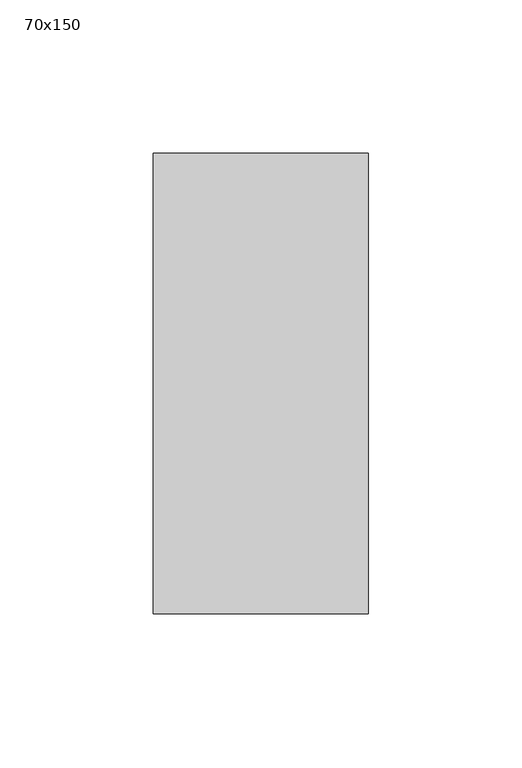
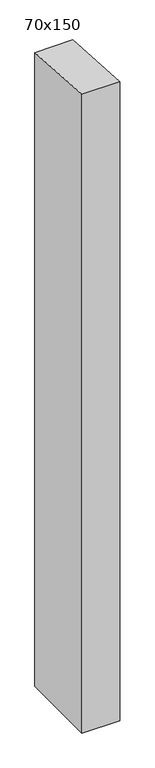
"""IFC4 building model written with IfcOpenShell, lengths in millimetres: member geometry, 70x150."""

import ifcopenshell
import ifcopenshell.guid

model = None  # the IFC model being written
_history = None  # IfcOwnerHistory: only IFC2X3 demands one
_inside = {}  # id of a spatial element -> (the spatial element, [elements in it])
_under = {}  # id of a project, library or spatial element -> (it, [spatial elements below it])
_declared = {}  # id of a project -> (the project, [libraries it declares])
_typed = {}  # id of a type object -> (the type object, [elements of that type])
_made_of = {}  # id of a material, layer set ... -> (it, [elements and type objects made of it])


def new_model(schema):
    """Start an empty IFC model of exactly this schema.

    Asked for "IFC4X3", IfcOpenShell would pick the latest addendum, in which some entities
    have other attributes; the version numbers below select the first issue.
    IFC2X3 requires an IfcOwnerHistory on every rooted entity: one is made here for all.
    """
    global model, _history
    if schema == "IFC4X3":
        model = ifcopenshell.file(schema_version=(4, 3, 0, 0))
    else:
        model = ifcopenshell.file(schema=schema)
    _inside.clear()
    _under.clear()
    _declared.clear()
    _typed.clear()
    _made_of.clear()
    _history = None
    if model.schema == "IFC2X3":
        org = make("IfcOrganization", Name="unknown")
        user = make(
            "IfcPersonAndOrganization",
            ThePerson=make("IfcPerson", FamilyName="unknown"),
            TheOrganization=org,
        )
        app = make(
            "IfcApplication",
            ApplicationDeveloper=org,
            Version="unknown",
            ApplicationFullName="unknown",
            ApplicationIdentifier="unknown",
        )
        _history = make(
            "IfcOwnerHistory",
            OwningUser=user,
            OwningApplication=app,
            ChangeAction="ADDED",
            CreationDate=0,
        )
    return model


def make(cls, **values):
    """One entity of the class cls with the attributes given. An attribute that is None is left unset."""
    return model.create_entity(
        cls, **{name: value for name, value in values.items() if value is not None}
    )


def rooted(cls, **values):
    """An entity with a GlobalId (a new one), such as an element, a storey or a relation."""
    return make(cls, GlobalId=ifcopenshell.guid.new(), OwnerHistory=_history, **values)


def si_unit(unit_type, name, prefix=None):
    """IfcSIUnit, for example si_unit("LENGTHUNIT", "METRE", prefix="MILLI")."""
    return make("IfcSIUnit", UnitType=unit_type, Prefix=prefix, Name=name)


def assignment(units):
    """IfcUnitAssignment: the units of a project."""
    return None if units is None else make("IfcUnitAssignment", Units=units)


def point(xyz):
    """IfcCartesianPoint."""
    return None if xyz is None else make("IfcCartesianPoint", Coordinates=xyz)


def direction(xyz):
    """IfcDirection."""
    return None if xyz is None else make("IfcDirection", DirectionRatios=xyz)


def frame(location, z_axis=None, x_axis=None):
    """IfcAxis2Placement3D, a coordinate frame: its origin and axes. An axis left out is left unset."""
    return make(
        "IfcAxis2Placement3D",
        Location=point(location),
        Axis=direction(z_axis),
        RefDirection=direction(x_axis),
    )


def origin():
    """The frame at (0, 0, 0) with its axes left unset."""
    return frame((0.0, 0.0, 0.0))


def place(relative_to, where):
    """IfcLocalPlacement: puts the frame where relative to a parent placement (None: the world)."""
    return make(
        "IfcLocalPlacement", PlacementRelTo=relative_to, RelativePlacement=where
    )


def context(
    kind, dimensions, precision=None, world=None, true_north=None, identifier=None
):
    """IfcGeometricRepresentationContext, for example the 3D "Model" context."""
    return make(
        "IfcGeometricRepresentationContext",
        ContextIdentifier=identifier,
        ContextType=kind,
        CoordinateSpaceDimension=dimensions,
        Precision=precision,
        WorldCoordinateSystem=world,
        TrueNorth=true_north,
    )


def project(units=None, contexts=None):
    """IfcProject with its units and contexts."""
    return rooted(
        "IfcProject",
        Name="project",
        RepresentationContexts=contexts,
        UnitsInContext=assignment(units),
    )


def spatial(cls, under=None, at=None, **own):
    """A site, building, storey or space (cls), placed at a placement, below another one or the project."""
    s = rooted(cls, ObjectPlacement=at, **own)
    if under is not None:
        _under.setdefault(under.id(), (under, []))[1].append(s)
    return s


def polyline(points):
    """IfcPolyline through the points."""
    return make("IfcPolyline", Points=[point(p) for p in points])


def outline(outer, holes=None, kind="AREA"):
    """IfcArbitraryClosedProfileDef: a profile drawn as a closed curve; with holes, ...WithVoids."""
    if holes is None:
        return make("IfcArbitraryClosedProfileDef", ProfileType=kind, OuterCurve=outer)
    return make(
        "IfcArbitraryProfileDefWithVoids",
        ProfileType=kind,
        OuterCurve=outer,
        InnerCurves=holes,
    )


def extrude(swept, where, along, depth):
    """IfcExtrudedAreaSolid: the profile swept, set in the frame where, extruded along a direction by depth."""
    return make(
        "IfcExtrudedAreaSolid",
        SweptArea=swept,
        Position=where,
        ExtrudedDirection=direction(along),
        Depth=depth,
    )


def shape(context_of_items, identifier, shape_type, items):
    """IfcShapeRepresentation: the items that make up one representation, for example the "Body"."""
    return make(
        "IfcShapeRepresentation",
        ContextOfItems=context_of_items,
        RepresentationIdentifier=identifier,
        RepresentationType=shape_type,
        Items=items,
    )


def source(mapping_origin, context_of_items, identifier, shape_type, items):
    """IfcRepresentationMap: a shape defined once, which mapped items show again and again."""
    return make(
        "IfcRepresentationMap",
        MappingOrigin=mapping_origin,
        MappedRepresentation=shape(context_of_items, identifier, shape_type, items),
    )


def transform(
    local_origin,
    x_axis=None,
    y_axis=None,
    z_axis=None,
    scale=None,
    scale2=None,
    scale3=None,
    uniform=True,
):
    """IfcCartesianTransformationOperator3D, or its non-uniform kind. x_axis, y_axis, z_axis: its Axis1, 2, 3."""
    if uniform:
        return make(
            "IfcCartesianTransformationOperator3D",
            Axis1=direction(x_axis),
            Axis2=direction(y_axis),
            LocalOrigin=point(local_origin),
            Scale=scale,
            Axis3=direction(z_axis),
        )
    return make(
        "IfcCartesianTransformationOperator3DnonUniform",
        Axis1=direction(x_axis),
        Axis2=direction(y_axis),
        LocalOrigin=point(local_origin),
        Scale=scale,
        Axis3=direction(z_axis),
        Scale2=scale2,
        Scale3=scale3,
    )


def mapped(mapping_source, mapping_target):
    """IfcMappedItem: shows the shape of a source again, moved by a transform."""
    return make(
        "IfcMappedItem", MappingSource=mapping_source, MappingTarget=mapping_target
    )


def made_of(thing, what):
    """Note that an element or type object is made of a material, layer set ...; save() writes the relation."""
    if what is not None:
        _made_of.setdefault(what.id(), (what, []))[1].append(thing)
    return thing


def element(
    cls,
    number,
    at=None,
    inside=None,
    cuts=None,
    type_object=None,
    material=None,
    context=None,
    identifier="Body",
    shape_type=None,
    held_by="IfcProductDefinitionShape",
    body=None,
    shapes=None,
    **own,
):
    """One element of the class cls, such as IfcWall. Its Tag is "e" and its number.

    at: its placement. inside: the storey or other place that contains it. cuts: it is an
    opening in that element (IfcRelVoidsElement). A single representation is given by context,
    identifier, shape_type and body (its items); several are given by shapes. held_by: the class
    of the entity that holds the representations. save() writes the other relations.
    """
    e = rooted(cls, Tag="e%d" % number, ObjectPlacement=at, **own)
    if body is not None:
        shapes = [shape(context, identifier, shape_type, body)]
    if shapes is not None:
        e.Representation = make(held_by, Representations=shapes)
    if inside is not None:
        _inside.setdefault(inside.id(), (inside, []))[1].append(e)
    if cuts is not None:
        rooted(
            "IfcRelVoidsElement", RelatingBuildingElement=cuts, RelatedOpeningElement=e
        )
    if type_object is not None:
        _typed.setdefault(type_object.id(), (type_object, []))[1].append(e)
    return made_of(e, material)


def aggregate(whole, parts):
    """IfcRelAggregates: a whole, such as a stair, and the parts it consists of."""
    return rooted("IfcRelAggregates", RelatingObject=whole, RelatedObjects=parts)


def save(model, path):
    """Write the relations noted so far, then the file.

    IfcRelAggregates (storeys below a building ...), IfcRelContainedInSpatialStructure (elements
    in a storey), IfcRelDefinesByType, IfcRelAssociatesMaterial and IfcRelDeclares: one each for
    every whole, place, type object, material and project.
    """
    for whole, parts in _under.values():
        aggregate(whole, parts)
    for where, things in _inside.values():
        rooted(
            "IfcRelContainedInSpatialStructure",
            RelatedElements=things,
            RelatingStructure=where,
        )
    for kind, things in _typed.values():
        rooted("IfcRelDefinesByType", RelatedObjects=things, RelatingType=kind)
    for what, things in _made_of.values():
        rooted("IfcRelAssociatesMaterial", RelatedObjects=things, RelatingMaterial=what)
    for by, libraries in _declared.values():
        rooted("IfcRelDeclares", RelatingContext=by, RelatedDefinitions=libraries)
    model.write(path)


def member_70x150_663fd2c9(model_context):
    return source(origin(), model_context, "Body", "SweptSolid", [
        extrude(outline(polyline([(-75.0, 4.9473542), (75.0, -4.9473542), (75.0, -1239.4393141), (-75.0, -1239.4393141), (-75.0, 4.9473542)])), frame((-70.0, 0.0, 0.0), z_axis=(1.0, 0.0, 0.0), x_axis=(0.0, 1.0, 0.0)), (0.0, 0.0, 1.0), 70.0),
    ])


if __name__ == "__main__":
    model = new_model("IFC4")
    model_context = context("Model", 3, world=origin())
    ifc_project = project(units=[si_unit("LENGTHUNIT", "METRE", prefix="MILLI")], contexts=[model_context])
    site = spatial("IfcSite", under=ifc_project)
    building = spatial("IfcBuilding", under=site)
    placement = place(None, origin())
    member_70x150_shape = member_70x150_663fd2c9(model_context)
    element("IfcMember", 1, ObjectType="70x150", at=placement, inside=building, context=model_context, shape_type="MappedRepresentation", body=[
        mapped(member_70x150_shape, transform((0.0, 0.0, 0.0), x_axis=(1.0, 0.0, 0.0), y_axis=(0.0, 1.0, 0.0), z_axis=(0.0, 0.0, 1.0))),
    ])
    save(model, "model.ifc")
